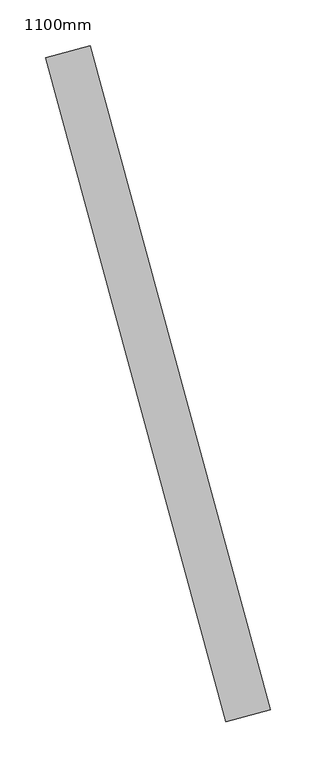
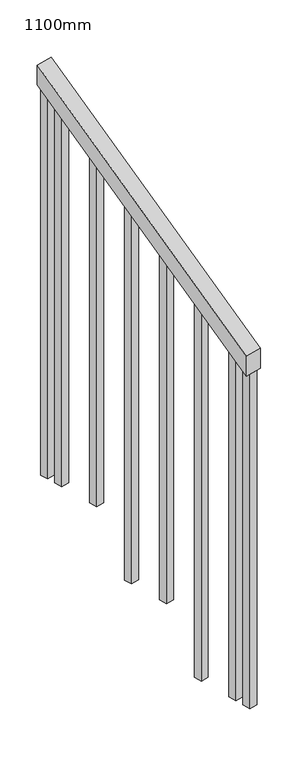
"""IFC4 building model written with IfcOpenShell, lengths in millimetres: railing geometry, 1100mm."""

from ifc_helpers import new_model, si_unit, frame, origin, place, context, project, spatial, polyline, outline, extrude, source, transform, mapped, element, save


def railing_1100mm_2ba8d724(model_context):
    return source(origin(), model_context, "Body", "SweptSolid", [
        extrude(outline(polyline([(-35.5555555, -50.0), (0.0, 0.0), (920.2958461, 0.0), (884.7402906, -50.0), (-35.5555555, -50.0)])), frame((239563.7281191, -63215.2180705, 1277.7777778), z_axis=(0.9649894123601852, 0.2622888370341833, 0.0), x_axis=(-0.21375368431595734, 0.7864232597554186, 0.5795237863599868)), (0.0, 0.0, 1.0), 50.0),
        extrude(outline(polyline([(108.8888889, 0.0), (91.1111112, 25.0), (1271.980277, 25.0), (1271.980277, 0.0), (108.8888889, 0.0)])), frame((239398.7455218, -62560.5716067, 1805.3136103), z_axis=(0.9649894123601821, 0.2622888370341949, 0.0), x_axis=(0.0, 0.0, -1.0)), (0.0, 0.0, 1.0), 25.0),
        extrude(outline(polyline([(108.8888889, 0.0), (91.1111111, 25.0), (1183.0913881, 25.0), (1183.0913881, 0.0), (108.8888889, 0.0)])), frame((239431.5316264, -62681.1952832, 1716.4247214), z_axis=(0.9649894123601821, 0.2622888370341949, 0.0), x_axis=(0.0, 0.0, -1.0)), (0.0, 0.0, 1.0), 25.0),
        extrude(outline(polyline([(108.8888889, 0.0), (91.1111111, 25.0), (1271.9802769, 25.0), (1271.9802769, 0.0), (108.8888889, 0.0)])), frame((239464.3177311, -62801.8189598, 1627.5358325), z_axis=(0.9649894123601821, 0.2622888370341949, 0.0), x_axis=(0.0, 0.0, -1.0)), (0.0, 0.0, 1.0), 25.0),
        extrude(outline(polyline([(108.8888889, 0.0), (91.1111111, 25.0), (1183.091388, 25.0), (1183.091388, 0.0), (108.8888889, 0.0)])), frame((239497.1038357, -62922.4426363, 1538.6469436), z_axis=(0.9649894123601821, 0.2622888370341949, 0.0), x_axis=(0.0, 0.0, -1.0)), (0.0, 0.0, 1.0), 25.0),
        extrude(outline(polyline([(108.8888889, 0.0), (91.1111111, 25.0), (1271.9802769, 25.0), (1271.9802769, 0.0), (108.8888889, 0.0)])), frame((239529.8899403, -63043.0663129, 1449.7580547), z_axis=(0.9649894123601821, 0.2622888370341949, 0.0), x_axis=(0.0, 0.0, -1.0)), (0.0, 0.0, 1.0), 25.0),
        extrude(outline(polyline([(108.8888889, 0.0), (91.1111111, 25.0), (1183.091388, 25.0), (1183.091388, 0.0), (108.8888889, 0.0)])), frame((239562.6760449, -63163.6899894, 1360.8691658), z_axis=(0.9649894123601821, 0.2622888370341949, 0.0), x_axis=(0.0, 0.0, -1.0)), (0.0, 0.0, 1.0), 25.0),
        extrude(outline(polyline([(108.8888889, 0.0), (91.1111111, 25.0), (1307.5358325, 25.0), (1307.5358325, 0.0), (108.8888889, 0.0)])), frame((239385.6310799, -62512.3221361, 1840.8691658), z_axis=(0.9649894123601821, 0.2622888370341949, 0.0), x_axis=(0.0, 0.0, -1.0)), (0.0, 0.0, 1.0), 25.0),
        extrude(outline(polyline([(108.8888889, 0.0), (91.1111112, 25.0), (1147.5358325, 25.0), (1147.5358325, 0.0), (108.8888889, 0.0)])), frame((239575.7904868, -63211.93946, 1325.3136103), z_axis=(0.9649894123601821, 0.2622888370341949, 0.0), x_axis=(0.0, 0.0, -1.0)), (0.0, 0.0, 1.0), 25.0),
    ])


if __name__ == "__main__":
    model = new_model("IFC4")
    model_context = context("Model", 3, world=origin())
    ifc_project = project(units=[si_unit("LENGTHUNIT", "METRE", prefix="MILLI")], contexts=[model_context])
    site = spatial("IfcSite", under=ifc_project)
    building = spatial("IfcBuilding", under=site)
    placement = place(None, origin())
    railing_1100mm_shape = railing_1100mm_2ba8d724(model_context)
    element("IfcRailing", 1, ObjectType="1100mm", at=placement, inside=building, context=model_context, shape_type="MappedRepresentation", body=[
        mapped(railing_1100mm_shape, transform((0.0, 0.0, 0.0), x_axis=(1.0, 0.0, 0.0), y_axis=(0.0, 1.0, 0.0), z_axis=(0.0, 0.0, 1.0))),
    ])
    save(model, "model.ifc")
